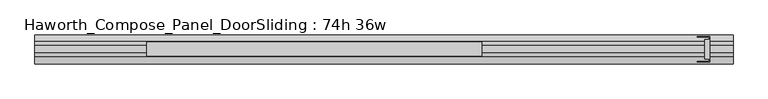
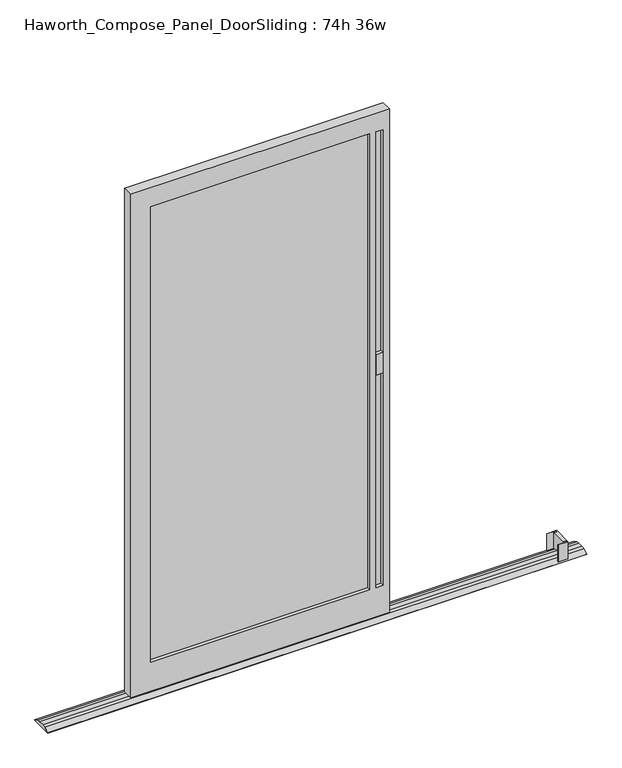
"""IFC4 building model written with IfcOpenShell, lengths in millimetres: furniture geometry, Haworth_Compose_Panel_DoorSliding : 74h 36w."""

from ifc_helpers import new_model, si_unit, frame, origin, place, context, project, spatial, polyline, circle_curve, outline, extrude, faceted_brep, source, transform, mapped, element, save
from ifc_brep_helpers import plane_surface, cylinder_surface, advanced_brep


def haworth_compose_panel_doorsliding_74h_36w_e533fa68(model_context):
    return source(origin(), model_context, "Body", "SolidModel", [
        extrude(outline(polyline([(470.1884771, -10.8677216), (-304.5115229, -10.8677216), (-304.5115229, 1.8322784), (470.1884771, 1.8322784), (470.1884771, -10.8677216)])), frame((0.0, 0.0, 120.65), z_axis=(0.0, 0.0, 1.0), x_axis=(1.0, 0.0, 0.0)), (0.0, 0.0, 1.0), 1701.8),
        faceted_brep([(540.0384771, 14.5322784, 1892.3), (540.0384771, 14.5322784, 12.7), (-374.3615229, 14.5322784, 12.7), (-374.3615229, 14.5322784, 1892.3), (470.1884771, 14.5322784, 1822.45), (-304.5115229, 14.5322784, 1822.45), (-304.5115229, 14.5322784, 120.65), (470.1884771, 14.5322784, 120.65), (517.8134771, 14.5322784, 1822.45), (492.4134771, 14.5322784, 1822.45), (492.4134771, 14.5322784, 120.65), (517.8134771, 14.5322784, 120.65), (-374.3615229, -23.5677216, 1892.3), (540.0384771, -23.5677216, 1892.3), (540.0384771, -23.5677216, 12.7), (-374.3615229, -23.5677216, 12.7), (470.1884771, -23.5677216, 120.65), (470.1884771, -23.5677216, 1822.45), (-304.5115229, -23.5677216, 120.65), (-304.5115229, -23.5677216, 1822.45), (517.8134771, -23.5677216, 1822.45), (517.8134771, -23.5677216, 120.65), (492.4134771, -23.5677216, 120.65), (492.4134771, -23.5677216, 1822.45), (517.8134771, 1.8322784, 120.65), (517.8134771, 1.8322784, 1822.45), (517.8134771, -10.8677216, 1822.45), (517.8134771, -10.8677216, 120.65), (492.4134771, 1.8322784, 120.65), (492.4134771, -10.8677216, 120.65), (492.4134771, 1.8322784, 1822.45), (492.4134771, -10.8677216, 1822.45)], [[[0, 1, 2, 3], [4, 5, 6, 7], [8, 9, 10, 11]], [[12, 13, 0, 3]], [[14, 15, 2, 1]], [[13, 14, 1, 0]], [[16, 17, 4, 7]], [[18, 16, 7, 6]], [[19, 18, 6, 5]], [[17, 19, 5, 4]], [[13, 12, 15, 14], [17, 16, 18, 19], [20, 21, 22, 23]], [[15, 12, 3, 2]], [[8, 11, 24, 25]], [[21, 20, 26, 27]], [[11, 10, 28, 24]], [[22, 21, 27, 29]], [[10, 9, 30, 28]], [[23, 22, 29, 31]], [[9, 8, 25, 30]], [[20, 23, 31, 26]], [[27, 26, 31, 29]], [[25, 24, 28, 30]]]),
        extrude(outline(polyline([(517.8134771, 1.8322784), (492.4134771, 1.8322784), (492.4134771, 14.5322784), (517.8134771, 14.5322784), (517.8134771, 1.8322784)])), frame((0.0, 0.0, 914.4), z_axis=(0.0, 0.0, 1.0), x_axis=(1.0, 0.0, 0.0)), (0.0, 0.0, 1.0), 76.2),
        extrude(outline(polyline([(492.4134771, -10.8677216), (517.8134771, -10.8677216), (517.8134771, -23.5677216), (492.4134771, -23.5677216), (492.4134771, -10.8677216)])), frame((0.0, 0.0, 914.4), z_axis=(0.0, 0.0, 1.0), x_axis=(1.0, 0.0, 0.0)), (0.0, 0.0, 1.0), 76.2),
        extrude(outline(polyline([(1162.3384771, 30.4072784), (1162.3384771, -39.4427216), (1127.4134771, -39.4427216), (1127.4134771, -37.8552216), (1160.7509771, -37.8552216), (1160.7509771, -31.5052216), (1148.0509771, -31.5052216), (1148.0509771, 22.4697784), (1160.7509771, 22.4697784), (1160.7509771, 28.8197784), (1127.4134771, 28.8197784), (1127.4134771, 30.4072784), (1162.3384771, 30.4072784)])), frame((0.0, 0.0, 1.5875), z_axis=(0.0, 0.0, 1.0), x_axis=(1.0, 0.0, 0.0)), (0.0, 0.0, 1.0), 65.7225),
        advanced_brep(
        [(-679.1615229, 35.1431511, 0.0), (-679.1615229, -44.1785944, 0.0), (-679.1615229, -44.1785944, 1.5875), (-679.1615229, -25.8161303, 10.1662427), (-679.1615229, -14.4066305, 12.7), (-679.1615229, 5.3711872, 12.7), (-679.1615229, 16.7630089, 10.1744939), (-679.1615229, 35.1431511, 1.6084654), (1225.8384771, 35.1431511, 0.0), (1225.8384771, 35.1431511, 1.6084654), (1225.8384771, 16.7648369, 10.178414), (1225.8384771, 5.3711872, 12.7), (1225.8384771, -14.4066305, 12.7), (1225.8384771, -25.8161303, 10.1662427), (1225.8384771, -44.1785944, 1.5875), (1225.8384771, -44.1785944, 0.0)],
        [
            (0, 1),
            (1, 2),
            (2, 3),
            (3, 4, circle_curve(frame((-679.1615229, -14.4066305, -14.2553465), z_axis=(-1.0, 0.0, 0.0), x_axis=(0.0, 0.0, 1.0)), 26.9553465)),
            (4, 5),
            (5, 6, circle_curve(frame((-679.1615229, 5.3711872, -14.2553465), z_axis=(-1.0, 0.0, 0.0), x_axis=(0.0, 0.0, 1.0)), 26.9553465)),
            (6, 7),
            (7, 0),
            (8, 9),
            (9, 10),
            (10, 11, circle_curve(frame((1225.8384771, 5.3711872, -14.2553465), z_axis=(1.0, 0.0, 0.0), x_axis=(0.0, 0.0, 1.0)), 26.9553465)),
            (11, 12),
            (12, 13, circle_curve(frame((1225.8384771, -14.4066305, -14.2553465), z_axis=(1.0, 0.0, 0.0), x_axis=(0.0, 0.0, 1.0)), 26.9553465)),
            (13, 14),
            (14, 15),
            (15, 8),
            (0, 8),
            (15, 1),
            (14, 2),
            (7, 9),
            (13, 3),
            (12, 4),
            (11, 5),
            (10, 6),
        ],
        [
            plane_surface(frame((-679.1615229, -4.5177216, 0.0), z_axis=(-1.0, 0.0, 0.0), x_axis=(0.0, -1.0, 0.0))),
            plane_surface(frame((1225.8384771, -4.5177216, 0.0), z_axis=(1.0, 0.0, 0.0), x_axis=(0.0, -1.0, 0.0))),
            plane_surface(frame((-679.1615229, 35.1431511, 0.0), z_axis=(0.0, 0.0, -1.0), x_axis=(1.0, 0.0, 0.0))),
            plane_surface(frame((-679.1615229, -44.1785944, 0.0), z_axis=(0.0, -1.0, 0.0), x_axis=(1.0, 0.0, 0.0))),
            plane_surface(frame((-679.1615229, 35.1431511, 1.6084654), z_axis=(0.0, 1.0, 0.0), x_axis=(1.0, 0.0, 0.0))),
            plane_surface(frame((-679.1615229, -44.1785944, 1.5875), z_axis=(0.0, -0.42327409086982815, 0.9060016799092155), x_axis=(1.0, 0.0, 0.0))),
            cylinder_surface(frame((-679.1615229, -14.4066305, -14.2553465), z_axis=(-1.0, 0.0, 0.0), x_axis=(0.0, 0.0, 1.0)), 26.9553465),
            plane_surface(frame((-679.1615229, -14.4066305, 12.7), z_axis=(0.0, 0.0, 1.0), x_axis=(1.0, 0.0, 0.0))),
            cylinder_surface(frame((-679.1615229, 5.3711872, -14.2553465), z_axis=(-1.0, 0.0, 0.0), x_axis=(0.0, 0.0, 1.0)), 26.9553465),
            plane_surface(frame((-679.1615229, 16.7648369, 10.178414), z_axis=(0.0, 0.4226182617407623, 0.9063077870366207), x_axis=(1.0, 0.0, 0.0))),
        ],
        [
            (0, [[1, 2, 3, 4, 5, 6, 7, 8]]),
            (1, [[9, 10, 11, 12, 13, 14, 15, 16]]),
            (2, [[-1, 17, -16, 18]]),
            (3, [[-2, -18, -15, 19]]),
            (4, [[-8, 20, -9, -17]]),
            (5, [[-3, -19, -14, 21]]),
            (6, [[-4, -21, -13, 22]]),
            (7, [[-5, -22, -12, 23]]),
            (8, [[-6, -23, -11, 24]]),
            (9, [[-7, -24, -10, -20]]),
        ],
    ),
    ])


if __name__ == "__main__":
    model = new_model("IFC4")
    model_context = context("Model", 3, world=origin())
    ifc_project = project(units=[si_unit("LENGTHUNIT", "METRE", prefix="MILLI")], contexts=[model_context])
    site = spatial("IfcSite", under=ifc_project)
    building = spatial("IfcBuilding", under=site)
    placement = place(None, origin())
    haworth_compose_panel_doorsliding_74h_36w_shape = haworth_compose_panel_doorsliding_74h_36w_e533fa68(model_context)
    element("IfcFurniture", 1, ObjectType="Haworth_Compose_Panel_DoorSliding : 74h 36w", at=placement, inside=building, context=model_context, shape_type="MappedRepresentation", body=[
        mapped(haworth_compose_panel_doorsliding_74h_36w_shape, transform((0.0, 0.0, 0.0), x_axis=(1.0, 0.0, 0.0), y_axis=(0.0, 1.0, 0.0), z_axis=(0.0, 0.0, 1.0))),
    ])
    save(model, "model.ifc")
